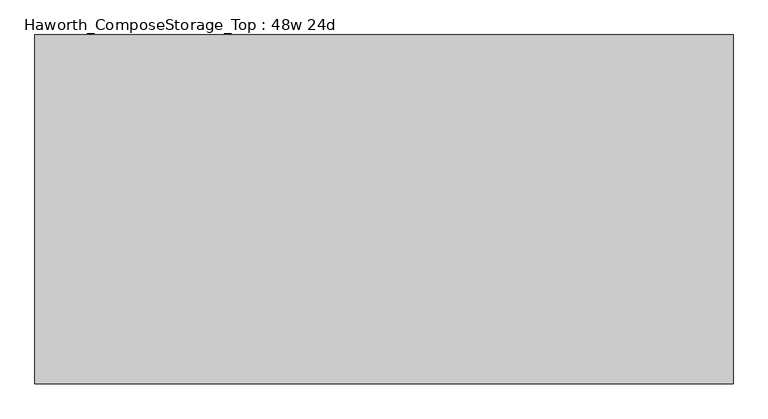
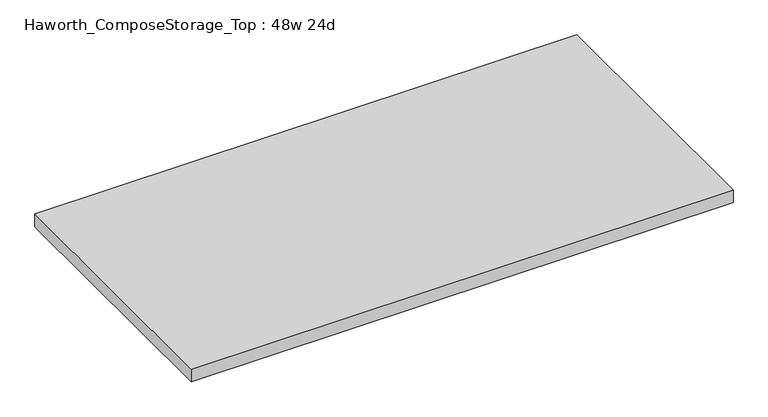
"""IFC4 building model written with IfcOpenShell, lengths in millimetres: furniture geometry, Haworth_ComposeStorage_Top : 48w 24d."""

from ifc_helpers import new_model, si_unit, frame, origin, place, context, project, spatial, polyline, outline, extrude, source, transform, mapped, element, save


def haworth_composestorage_top_48w_24d_c59dcc68(model_context):
    return source(origin(), model_context, "Body", "SweptSolid", [
        extrude(outline(polyline([(609.6, 304.8), (609.6, -304.8), (-609.6, -304.8), (-609.6, 304.8), (609.6, 304.8)])), frame((0.0, 0.0, 706.4375), z_axis=(0.0, 0.0, 1.0), x_axis=(1.0, 0.0, 0.0)), (0.0, 0.0, 1.0), 30.1625),
    ])


if __name__ == "__main__":
    model = new_model("IFC4")
    model_context = context("Model", 3, world=origin())
    ifc_project = project(units=[si_unit("LENGTHUNIT", "METRE", prefix="MILLI")], contexts=[model_context])
    site = spatial("IfcSite", under=ifc_project)
    building = spatial("IfcBuilding", under=site)
    placement = place(None, origin())
    haworth_composestorage_top_48w_24d_shape = haworth_composestorage_top_48w_24d_c59dcc68(model_context)
    element("IfcFurniture", 1, ObjectType="Haworth_ComposeStorage_Top : 48w 24d", at=placement, inside=building, context=model_context, shape_type="MappedRepresentation", body=[
        mapped(haworth_composestorage_top_48w_24d_shape, transform((0.0, 0.0, 0.0), x_axis=(1.0, 0.0, 0.0), y_axis=(0.0, 1.0, 0.0), z_axis=(0.0, 0.0, 1.0))),
    ])
    save(model, "model.ifc")
